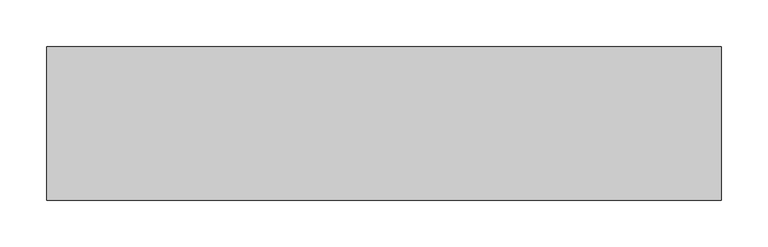
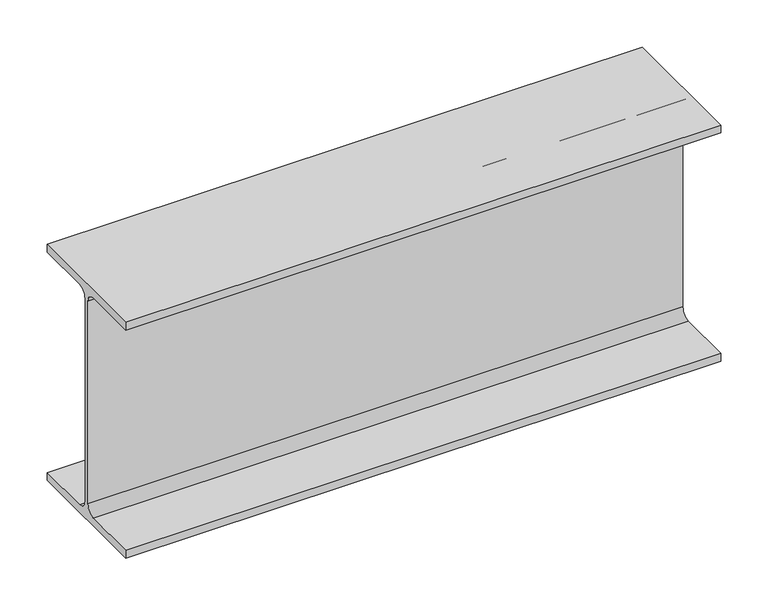
"""IFC4 building model written with IfcOpenShell, lengths in millimetres: beam geometry."""

from ifc_helpers import new_model, si_unit, point, frame, frame_2d, origin, place, context, project, spatial, polyline, circle_curve, trimmed, segment, composite_curve, outline, extrude, source, transform, mapped, element, save


def beam_5ec7d0c0(model_context):
    return source(origin(), model_context, "Body", "SweptSolid", [
        extrude(outline(composite_curve([segment(polyline([(-82.5, -141.8), (-14.45, -141.8)]), True, "CONTINUOUS"), segment(trimmed(circle_curve(frame_2d((-14.45, -130.4)), 11.4), [point((-14.45, -141.8))], [point((-3.05, -130.4))], True, "CARTESIAN"), True, "CONTINUOUS"), segment(polyline([(-3.05, -130.4), (-3.05, 130.4)]), True, "CONTINUOUS"), segment(trimmed(circle_curve(frame_2d((-14.45, 130.4)), 11.4), [point((-3.05, 130.4))], [point((-14.45, 141.8))], True, "CARTESIAN"), True, "CONTINUOUS"), segment(polyline([(-14.45, 141.8), (-82.5, 141.8), (-82.5, 152.0), (82.5, 152.0), (82.5, 141.8), (14.45, 141.8)]), True, "CONTINUOUS"), segment(trimmed(circle_curve(frame_2d((14.45, 130.4)), 11.4), [point((14.45, 141.8))], [point((3.05, 130.4))], True, "CARTESIAN"), True, "CONTINUOUS"), segment(polyline([(3.05, 130.4), (3.05, -130.4)]), True, "CONTINUOUS"), segment(trimmed(circle_curve(frame_2d((14.45, -130.4)), 11.4), [point((3.05, -130.4))], [point((14.45, -141.8))], True, "CARTESIAN"), True, "CONTINUOUS"), segment(polyline([(14.45, -141.8), (82.5, -141.8), (82.5, -152.0), (-82.5, -152.0), (-82.5, -141.8)]), True, "CONTINUOUS")], self_intersect=False)), frame((-373.0, 0.0, 0.0), z_axis=(1.0, 0.0, 0.0), x_axis=(0.0, 1.0, 0.0)), (0.0, 0.0, 1.0), 725.0),
    ])


if __name__ == "__main__":
    model = new_model("IFC4")
    model_context = context("Model", 3, world=origin())
    ifc_project = project(units=[si_unit("LENGTHUNIT", "METRE", prefix="MILLI")], contexts=[model_context])
    site = spatial("IfcSite", under=ifc_project)
    building = spatial("IfcBuilding", under=site)
    placement = place(None, origin())
    beam_shape = beam_5ec7d0c0(model_context)
    element("IfcBeam", 1, at=placement, inside=building, context=model_context, shape_type="MappedRepresentation", body=[
        mapped(beam_shape, transform((0.0, 0.0, 0.0), x_axis=(1.0, 0.0, 0.0), y_axis=(0.0, 1.0, 0.0), z_axis=(0.0, 0.0, 1.0))),
    ])
    save(model, "model.ifc")
